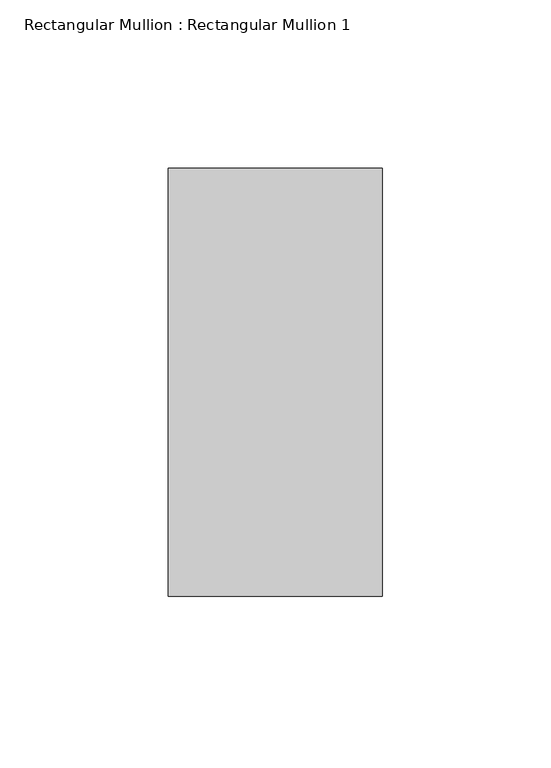
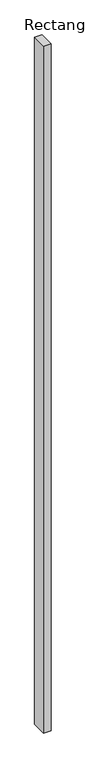
"""IFC4 building model written with IfcOpenShell, lengths in millimetres: member geometry, Rectangular Mullion : Rectangular Mullion 1."""

import ifcopenshell
import ifcopenshell.guid

model = None  # the IFC model being written
_history = None  # IfcOwnerHistory: only IFC2X3 demands one
_inside = {}  # id of a spatial element -> (the spatial element, [elements in it])
_under = {}  # id of a project, library or spatial element -> (it, [spatial elements below it])
_declared = {}  # id of a project -> (the project, [libraries it declares])
_typed = {}  # id of a type object -> (the type object, [elements of that type])
_made_of = {}  # id of a material, layer set ... -> (it, [elements and type objects made of it])


def new_model(schema):
    """Start an empty IFC model of exactly this schema.

    Asked for "IFC4X3", IfcOpenShell would pick the latest addendum, in which some entities
    have other attributes; the version numbers below select the first issue.
    IFC2X3 requires an IfcOwnerHistory on every rooted entity: one is made here for all.
    """
    global model, _history
    if schema == "IFC4X3":
        model = ifcopenshell.file(schema_version=(4, 3, 0, 0))
    else:
        model = ifcopenshell.file(schema=schema)
    _inside.clear()
    _under.clear()
    _declared.clear()
    _typed.clear()
    _made_of.clear()
    _history = None
    if model.schema == "IFC2X3":
        org = make("IfcOrganization", Name="unknown")
        user = make(
            "IfcPersonAndOrganization",
            ThePerson=make("IfcPerson", FamilyName="unknown"),
            TheOrganization=org,
        )
        app = make(
            "IfcApplication",
            ApplicationDeveloper=org,
            Version="unknown",
            ApplicationFullName="unknown",
            ApplicationIdentifier="unknown",
        )
        _history = make(
            "IfcOwnerHistory",
            OwningUser=user,
            OwningApplication=app,
            ChangeAction="ADDED",
            CreationDate=0,
        )
    return model


def make(cls, **values):
    """One entity of the class cls with the attributes given. An attribute that is None is left unset."""
    return model.create_entity(
        cls, **{name: value for name, value in values.items() if value is not None}
    )


def rooted(cls, **values):
    """An entity with a GlobalId (a new one), such as an element, a storey or a relation."""
    return make(cls, GlobalId=ifcopenshell.guid.new(), OwnerHistory=_history, **values)


def si_unit(unit_type, name, prefix=None):
    """IfcSIUnit, for example si_unit("LENGTHUNIT", "METRE", prefix="MILLI")."""
    return make("IfcSIUnit", UnitType=unit_type, Prefix=prefix, Name=name)


def assignment(units):
    """IfcUnitAssignment: the units of a project."""
    return None if units is None else make("IfcUnitAssignment", Units=units)


def point(xyz):
    """IfcCartesianPoint."""
    return None if xyz is None else make("IfcCartesianPoint", Coordinates=xyz)


def direction(xyz):
    """IfcDirection."""
    return None if xyz is None else make("IfcDirection", DirectionRatios=xyz)


def frame(location, z_axis=None, x_axis=None):
    """IfcAxis2Placement3D, a coordinate frame: its origin and axes. An axis left out is left unset."""
    return make(
        "IfcAxis2Placement3D",
        Location=point(location),
        Axis=direction(z_axis),
        RefDirection=direction(x_axis),
    )


def origin():
    """The frame at (0, 0, 0) with its axes left unset."""
    return frame((0.0, 0.0, 0.0))


def place(relative_to, where):
    """IfcLocalPlacement: puts the frame where relative to a parent placement (None: the world)."""
    return make(
        "IfcLocalPlacement", PlacementRelTo=relative_to, RelativePlacement=where
    )


def context(
    kind, dimensions, precision=None, world=None, true_north=None, identifier=None
):
    """IfcGeometricRepresentationContext, for example the 3D "Model" context."""
    return make(
        "IfcGeometricRepresentationContext",
        ContextIdentifier=identifier,
        ContextType=kind,
        CoordinateSpaceDimension=dimensions,
        Precision=precision,
        WorldCoordinateSystem=world,
        TrueNorth=true_north,
    )


def project(units=None, contexts=None):
    """IfcProject with its units and contexts."""
    return rooted(
        "IfcProject",
        Name="project",
        RepresentationContexts=contexts,
        UnitsInContext=assignment(units),
    )


def spatial(cls, under=None, at=None, **own):
    """A site, building, storey or space (cls), placed at a placement, below another one or the project."""
    s = rooted(cls, ObjectPlacement=at, **own)
    if under is not None:
        _under.setdefault(under.id(), (under, []))[1].append(s)
    return s


def polyline(points):
    """IfcPolyline through the points."""
    return make("IfcPolyline", Points=[point(p) for p in points])


def outline(outer, holes=None, kind="AREA"):
    """IfcArbitraryClosedProfileDef: a profile drawn as a closed curve; with holes, ...WithVoids."""
    if holes is None:
        return make("IfcArbitraryClosedProfileDef", ProfileType=kind, OuterCurve=outer)
    return make(
        "IfcArbitraryProfileDefWithVoids",
        ProfileType=kind,
        OuterCurve=outer,
        InnerCurves=holes,
    )


def extrude(swept, where, along, depth):
    """IfcExtrudedAreaSolid: the profile swept, set in the frame where, extruded along a direction by depth."""
    return make(
        "IfcExtrudedAreaSolid",
        SweptArea=swept,
        Position=where,
        ExtrudedDirection=direction(along),
        Depth=depth,
    )


def shape(context_of_items, identifier, shape_type, items):
    """IfcShapeRepresentation: the items that make up one representation, for example the "Body"."""
    return make(
        "IfcShapeRepresentation",
        ContextOfItems=context_of_items,
        RepresentationIdentifier=identifier,
        RepresentationType=shape_type,
        Items=items,
    )


def source(mapping_origin, context_of_items, identifier, shape_type, items):
    """IfcRepresentationMap: a shape defined once, which mapped items show again and again."""
    return make(
        "IfcRepresentationMap",
        MappingOrigin=mapping_origin,
        MappedRepresentation=shape(context_of_items, identifier, shape_type, items),
    )


def transform(
    local_origin,
    x_axis=None,
    y_axis=None,
    z_axis=None,
    scale=None,
    scale2=None,
    scale3=None,
    uniform=True,
):
    """IfcCartesianTransformationOperator3D, or its non-uniform kind. x_axis, y_axis, z_axis: its Axis1, 2, 3."""
    if uniform:
        return make(
            "IfcCartesianTransformationOperator3D",
            Axis1=direction(x_axis),
            Axis2=direction(y_axis),
            LocalOrigin=point(local_origin),
            Scale=scale,
            Axis3=direction(z_axis),
        )
    return make(
        "IfcCartesianTransformationOperator3DnonUniform",
        Axis1=direction(x_axis),
        Axis2=direction(y_axis),
        LocalOrigin=point(local_origin),
        Scale=scale,
        Axis3=direction(z_axis),
        Scale2=scale2,
        Scale3=scale3,
    )


def mapped(mapping_source, mapping_target):
    """IfcMappedItem: shows the shape of a source again, moved by a transform."""
    return make(
        "IfcMappedItem", MappingSource=mapping_source, MappingTarget=mapping_target
    )


def made_of(thing, what):
    """Note that an element or type object is made of a material, layer set ...; save() writes the relation."""
    if what is not None:
        _made_of.setdefault(what.id(), (what, []))[1].append(thing)
    return thing


def element(
    cls,
    number,
    at=None,
    inside=None,
    cuts=None,
    type_object=None,
    material=None,
    context=None,
    identifier="Body",
    shape_type=None,
    held_by="IfcProductDefinitionShape",
    body=None,
    shapes=None,
    **own,
):
    """One element of the class cls, such as IfcWall. Its Tag is "e" and its number.

    at: its placement. inside: the storey or other place that contains it. cuts: it is an
    opening in that element (IfcRelVoidsElement). A single representation is given by context,
    identifier, shape_type and body (its items); several are given by shapes. held_by: the class
    of the entity that holds the representations. save() writes the other relations.
    """
    e = rooted(cls, Tag="e%d" % number, ObjectPlacement=at, **own)
    if body is not None:
        shapes = [shape(context, identifier, shape_type, body)]
    if shapes is not None:
        e.Representation = make(held_by, Representations=shapes)
    if inside is not None:
        _inside.setdefault(inside.id(), (inside, []))[1].append(e)
    if cuts is not None:
        rooted(
            "IfcRelVoidsElement", RelatingBuildingElement=cuts, RelatedOpeningElement=e
        )
    if type_object is not None:
        _typed.setdefault(type_object.id(), (type_object, []))[1].append(e)
    return made_of(e, material)


def aggregate(whole, parts):
    """IfcRelAggregates: a whole, such as a stair, and the parts it consists of."""
    return rooted("IfcRelAggregates", RelatingObject=whole, RelatedObjects=parts)


def save(model, path):
    """Write the relations noted so far, then the file.

    IfcRelAggregates (storeys below a building ...), IfcRelContainedInSpatialStructure (elements
    in a storey), IfcRelDefinesByType, IfcRelAssociatesMaterial and IfcRelDeclares: one each for
    every whole, place, type object, material and project.
    """
    for whole, parts in _under.values():
        aggregate(whole, parts)
    for where, things in _inside.values():
        rooted(
            "IfcRelContainedInSpatialStructure",
            RelatedElements=things,
            RelatingStructure=where,
        )
    for kind, things in _typed.values():
        rooted("IfcRelDefinesByType", RelatedObjects=things, RelatingType=kind)
    for what, things in _made_of.values():
        rooted("IfcRelAssociatesMaterial", RelatedObjects=things, RelatingMaterial=what)
    for by, libraries in _declared.values():
        rooted("IfcRelDeclares", RelatingContext=by, RelatedDefinitions=libraries)
    model.write(path)


def rectangular_mullion_rectangular_mullion_1_ac156f2b(model_context):
    return source(origin(), model_context, "Body", "SweptSolid", [
        extrude(outline(polyline([(0.0, 63.5), (0.0, -63.5), (-63.5, -63.5), (-63.5, 63.5), (0.0, 63.5)])), frame((0.0, 0.0, -6096.0), z_axis=(0.0, 0.0, 1.0), x_axis=(1.0, 0.0, 0.0)), (0.0, 0.0, 1.0), 6096.0),
    ])


if __name__ == "__main__":
    model = new_model("IFC4")
    model_context = context("Model", 3, world=origin())
    ifc_project = project(units=[si_unit("LENGTHUNIT", "METRE", prefix="MILLI")], contexts=[model_context])
    site = spatial("IfcSite", under=ifc_project)
    building = spatial("IfcBuilding", under=site)
    placement = place(None, origin())
    rectangular_mullion_rectangular_mullion_1_shape = rectangular_mullion_rectangular_mullion_1_ac156f2b(model_context)
    element("IfcMember", 1, ObjectType="Rectangular Mullion : Rectangular Mullion 1", at=placement, inside=building, context=model_context, shape_type="MappedRepresentation", body=[
        mapped(rectangular_mullion_rectangular_mullion_1_shape, transform((0.0, 0.0, 0.0), x_axis=(1.0, 0.0, 0.0), y_axis=(0.0, 1.0, 0.0), z_axis=(0.0, 0.0, 1.0))),
    ])
    save(model, "model.ifc")
